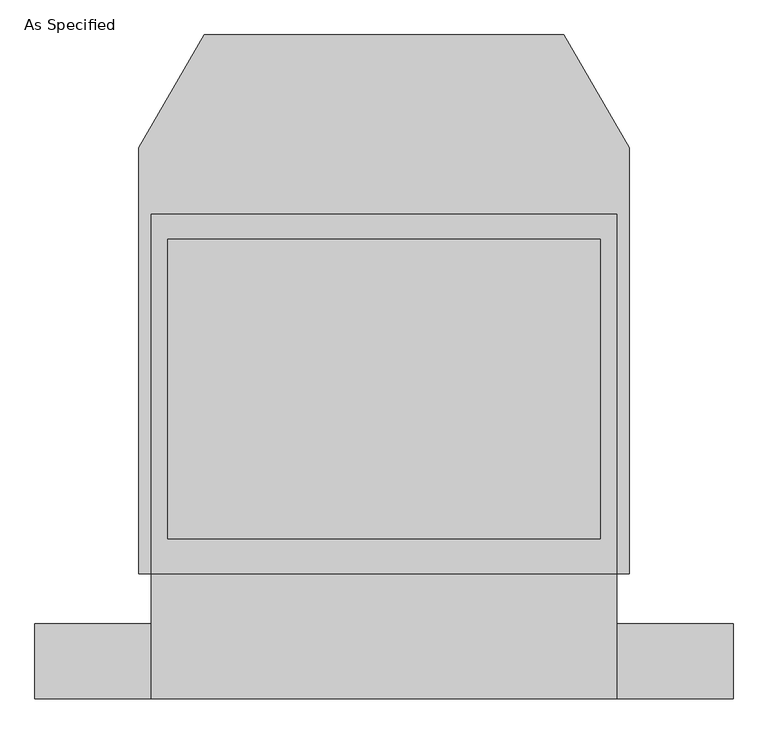
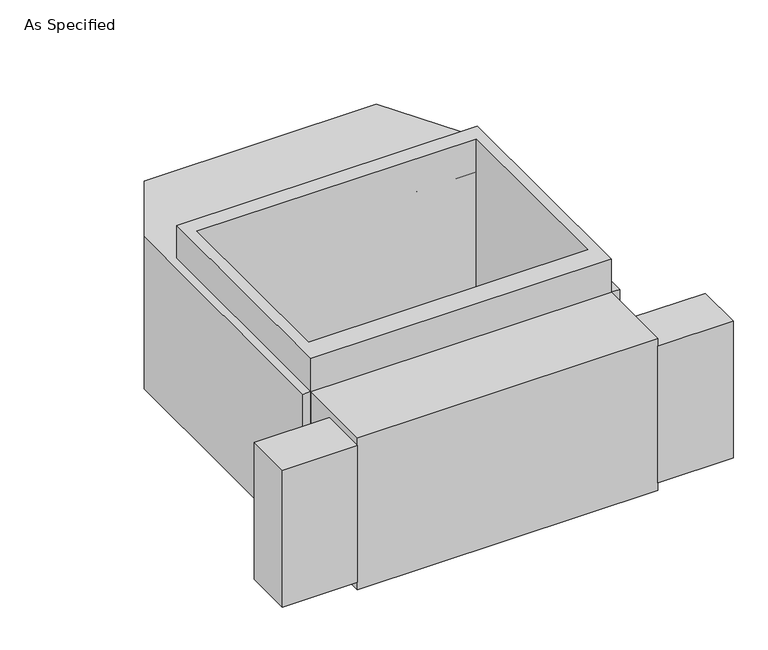
"""IFC4 building model written with IfcOpenShell, lengths in millimetres: proxy geometry, As Specified."""

from ifc_helpers import new_model, si_unit, frame, origin, place, context, project, spatial, polyline, outline, extrude, faceted_brep, source, transform, mapped, element, save


def as_specified_4d719ca1(model_context):
    return source(origin(), model_context, "Body", "SolidModel", [
        extrude(outline(polyline([(711.2, -1014.1148438), (711.2, -785.5148438), (1066.8, -785.5148438), (1066.8, -1014.1148438), (711.2, -1014.1148438)])), frame((0.0, 0.0, -749.3), z_axis=(0.0, 0.0, 1.0), x_axis=(1.0, 0.0, 0.0)), (0.0, 0.0, 1.0), 685.8),
        extrude(outline(polyline([(-711.2, -1014.1148438), (-1066.8, -1014.1148438), (-1066.8, -785.5148438), (-711.2, -785.5148438), (-711.2, -1014.1148438)])), frame((0.0, 0.0, -749.3), z_axis=(0.0, 0.0, 1.0), x_axis=(1.0, 0.0, 0.0)), (0.0, 0.0, 1.0), 685.8),
        extrude(outline(polyline([(711.2, 465.4351562), (711.2, -633.1148438), (-711.2, -633.1148438), (-711.2, 465.4351562), (711.2, 465.4351562)]), holes=[polyline([(-660.4, 389.2748437), (-660.4, -525.1251563), (660.4, -525.1251563), (660.4, 389.2748437), (-660.4, 389.2748437)])]), frame((0.0, 0.0, -762.0), z_axis=(0.0, 0.0, 1.0), x_axis=(1.0, 0.0, 0.0)), (0.0, 0.0, 1.0), 901.7),
        faceted_brep([(711.2, -1014.1148438, -787.4), (-711.2, -1014.1148438, -787.4), (-711.2, -633.1148438, -787.4), (-749.3, -633.1148438, -787.4), (-749.3, 668.6748437, -787.4), (-549.860123, 1014.1148437, -787.4), (549.860123, 1014.1148437, -787.4), (749.3, 668.6748437, -787.4), (749.3, -633.1148438, -787.4), (711.2, -633.1148438, -787.4), (711.2, -1014.1148438, -25.4), (711.2, -633.1148438, -25.4), (749.3, -633.1148438, -25.4), (749.3, 668.6748437, -25.4), (549.860123, 1014.1148437, -25.4), (-549.860123, 1014.1148437, -25.4), (-749.3, 668.6748437, -25.4), (-749.3, -633.1148438, -25.4), (-711.2, -633.1148438, -25.4), (-711.2, -1014.1148438, -25.4), (660.4, 389.2748437, -25.4), (660.4, -525.1251563, -25.4), (-660.4, -525.1251563, -25.4), (-660.4, 389.2748437, -25.4), (660.4, 389.2748437, -762.0), (-660.4, 389.2748437, -762.0), (-660.4, -525.1251563, -762.0), (660.4, -525.1251563, -762.0)], [[[0, 1, 2, 3, 4, 5, 6, 7, 8, 9]], [[10, 11, 12, 13, 14, 15, 16, 17, 18, 19], [20, 21, 22, 23]], [[6, 5, 15, 14]], [[3, 17, 16, 4]], [[17, 3, 2, 18]], [[8, 12, 11, 9]], [[12, 8, 7, 13]], [[0, 9, 11, 10]], [[2, 1, 19, 18]], [[1, 0, 10, 19]], [[5, 4, 16, 15]], [[7, 6, 14, 13]], [[24, 25, 26, 27]], [[24, 27, 21, 20]], [[27, 26, 22, 21]], [[26, 25, 23, 22]], [[25, 24, 20, 23]]]),
    ])


if __name__ == "__main__":
    model = new_model("IFC4")
    model_context = context("Model", 3, world=origin())
    ifc_project = project(units=[si_unit("LENGTHUNIT", "METRE", prefix="MILLI")], contexts=[model_context])
    site = spatial("IfcSite", under=ifc_project)
    building = spatial("IfcBuilding", under=site)
    placement = place(None, origin())
    as_specified_shape = as_specified_4d719ca1(model_context)
    element("IfcBuildingElementProxy", 1, Name="As Specified", ObjectType="As Specified", at=placement, inside=building, context=model_context, shape_type="MappedRepresentation", body=[
        mapped(as_specified_shape, transform((0.0, 0.0, 0.0), x_axis=(1.0, 0.0, 0.0), y_axis=(0.0, 1.0, 0.0), z_axis=(0.0, 0.0, 1.0))),
    ])
    save(model, "model.ifc")
